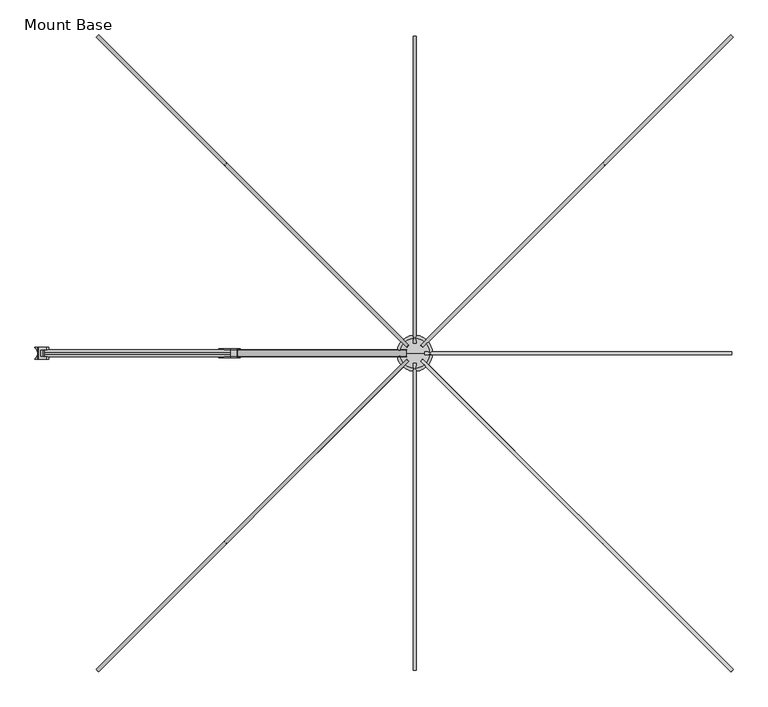
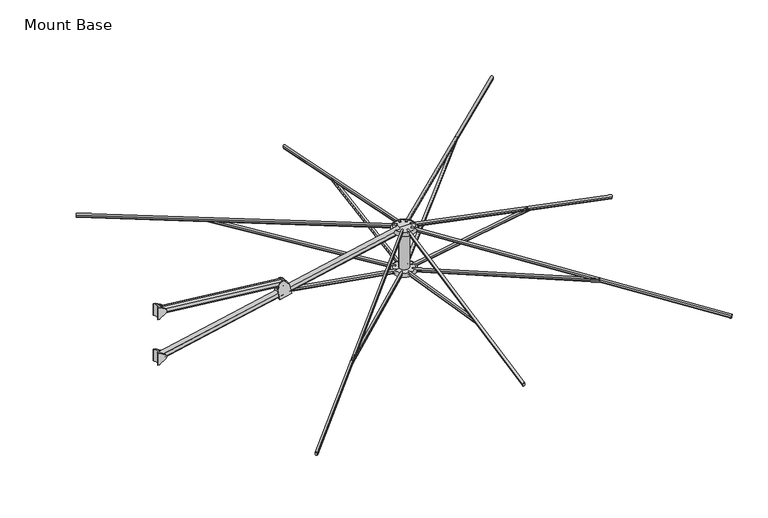
"""IFC4 building model written with IfcOpenShell, lengths in millimetres: furniture geometry, Mount Base."""

from ifc_helpers import new_model, si_unit, point, frame, frame_2d, origin, place, context, project, spatial, polyline, circle_curve, ellipse_curve, trimmed, segment, composite_curve, outline, extrude, source, transform, mapped, element, save
from ifc_brep_helpers import plane_surface, cylinder_surface, revolved_surface, advanced_brep


def mount_base_e37ba192(model_context):
    return source(origin(), model_context, "Body", "SolidModel", [
        advanced_brep(
        [(-869.5954082, -28.8584398, 2526.2924766), (-770.0187352, -28.8584398, 2546.4740546), (-787.3557443, -28.8584398, 2633.9421224), (-825.1542155, -28.8584398, 2673.9841753), (-867.3492904, -28.8584398, 2665.6207977), (-887.016874, -28.8584398, 2614.1885454), (-789.529389, -23.0799408, 2636.2447868), (-886.064261, -23.0799408, 2616.679702), (-867.3492904, -23.0799408, 2665.6207977), (-825.1542155, -23.0799408, 2673.9841753), (-789.529389, 15.0200592, 2636.2447868), (-886.064261, 15.0200592, 2616.679702), (-825.1542155, 15.0200592, 2673.9841753), (-867.3492904, 15.0200592, 2665.6207977), (-770.0187352, 20.7985583, 2546.4740546), (-869.5954082, 20.7985583, 2526.2924766), (-887.016874, 20.7985583, 2614.1885454), (-867.3492904, 20.7985583, 2665.6207977), (-825.1542155, 20.7985583, 2673.9841753), (-787.3557443, 20.7985583, 2633.9421224), (-879.4307665, -24.0959398, 2575.9145543), (-779.8542982, -24.0959398, 2596.0960908), (-773.8821011, -24.0959398, 2565.9653723), (-873.4586937, -24.0959398, 2545.7838107), (-773.3557206, -23.4898879, 2563.3096957), (-872.9323241, -23.4898879, 2543.1281318), (-773.3557206, 15.4300064, 2563.3096957), (-872.9323241, 15.4300064, 2543.1281318), (-773.8821011, 16.0360583, 2565.9653723), (-873.4586937, 16.0360583, 2545.7838107), (-779.8542982, 16.0360583, 2596.0960908), (-879.4307665, 16.0360583, 2575.9145543), (-780.2734011, 15.6590031, 2598.2105335), (-879.8498606, 15.6590031, 2578.0289988), (-780.2734011, -23.7188847, 2598.2105335), (-879.8498606, -23.7188847, 2578.0289988)],
        [
            (0, 1),
            (1, 2),
            (2, 3),
            (3, 4, circle_curve(frame((-843.6247293, -28.8584398, 2656.5485761), z_axis=(0.0, -1.0, 0.0), x_axis=(1.0, 0.0, 0.0)), 25.4)),
            (4, 5),
            (5, 0),
            (6, 7),
            (7, 8),
            (8, 9, circle_curve(frame((-843.6247293, -23.0799408, 2656.5485761), z_axis=(0.0, 1.0, 0.0), x_axis=(1.0, 0.0, 0.0)), 25.4)),
            (9, 6),
            (6, 10),
            (10, 11),
            (11, 7),
            (10, 12),
            (12, 13, circle_curve(frame((-843.6247293, 15.0200592, 2656.5485761), z_axis=(0.0, -1.0, 0.0), x_axis=(1.0, 0.0, 0.0)), 25.4)),
            (13, 11),
            (14, 15),
            (15, 16),
            (16, 17),
            (17, 18, circle_curve(frame((-843.6247293, 20.7985583, 2656.5485761), z_axis=(0.0, 1.0, 0.0), x_axis=(1.0, 0.0, 0.0)), 25.4)),
            (18, 19),
            (19, 14),
            (0, 15),
            (14, 1),
            (20, 21),
            (21, 22),
            (22, 23),
            (23, 20),
            (22, 24, ellipse_curve(frame((-773.8821011, -17.7459398, 2565.9653723), z_axis=(0.9809169623175261, 0.0, 0.1944271406922321), x_axis=(-0.1944271406922253, 2.253250293405362e-12, 0.9809169623175276)), 6.3500585, 6.35)),
            (24, 25),
            (25, 23, ellipse_curve(frame((-873.4586937, -17.7459398, 2545.7838107), z_axis=(-0.9809177651054216, 0.0, -0.19442309045117281), x_axis=(-0.19442309045116504, 2.251037628428925e-12, 0.9809177651054232)), 6.3500586, 6.35)),
            (24, 26, ellipse_curve(frame((-775.1390476, -4.0299408, 2572.3068744), z_axis=(0.9809169623175261, 0.0, 0.1944271406922321), x_axis=(-0.1944271406922253, 2.253250293405362e-12, 0.9809169623175276)), 21.5133911, 21.513193)),
            (26, 27),
            (27, 25, ellipse_curve(frame((-874.715614, -4.0299408, 2552.125318), z_axis=(-0.9809177651054216, 0.0, -0.19442309045117281), x_axis=(-0.19442309045116504, 2.251037628428925e-12, 0.9809177651054232)), 21.5133915, 21.513193)),
            (26, 28, ellipse_curve(frame((-773.8821011, 9.6860583, 2565.9653723), z_axis=(0.9809169623175261, 0.0, 0.1944271406922321), x_axis=(-0.1944271406922253, 2.253250293405362e-12, 0.9809169623175276)), 6.3500585, 6.35)),
            (28, 29),
            (29, 27, ellipse_curve(frame((-873.4586937, 9.6860583, 2545.7838107), z_axis=(-0.9809177651054216, 0.0, -0.19442309045117281), x_axis=(-0.19442309045116504, 2.251037628428925e-12, 0.9809177651054232)), 6.3500586, 6.35)),
            (28, 30),
            (30, 31),
            (31, 29),
            (30, 32, ellipse_curve(frame((-779.8542982, 9.6860583, 2596.0960908), z_axis=(0.9809169623175261, 0.0, 0.1944271406922321), x_axis=(-0.1944271406922253, 2.253250293405362e-12, 0.9809169623175276)), 6.3500585, 6.35)),
            (32, 33),
            (33, 31, ellipse_curve(frame((-879.4307665, 9.6860583, 2575.9145543), z_axis=(-0.9809177651054216, 0.0, -0.19442309045117281), x_axis=(-0.19442309045116504, 2.251037628428925e-12, 0.9809177651054232)), 6.3500586, 6.35)),
            (32, 34, ellipse_curve(frame((-778.8918896, -4.0299408, 2591.2405804), z_axis=(0.9809169623175261, 0.0, 0.1944271406922321), x_axis=(-0.1944271406922253, 2.253250293405362e-12, 0.9809169623175276)), 20.9320441, 20.9318514)),
            (34, 35),
            (35, 33, ellipse_curve(frame((-878.4683779, -4.0299408, 2571.0590399), z_axis=(-0.9809177651054216, 0.0, -0.19442309045117281), x_axis=(-0.19442309045116504, 2.251037628428925e-12, 0.9809177651054232)), 20.9320445, 20.9318514)),
            (20, 35, ellipse_curve(frame((-879.4307665, -17.7459398, 2575.9145543), z_axis=(-0.9809177651054216, 0.0, -0.19442309045117281), x_axis=(-0.19442309045116504, 2.251037628428925e-12, 0.9809177651054232)), 6.3500586, 6.35)),
            (34, 21, ellipse_curve(frame((-779.8542982, -17.7459398, 2596.0960908), z_axis=(0.9809169623175261, 0.0, 0.1944271406922321), x_axis=(-0.1944271406922253, 2.253250293405362e-12, 0.9809169623175276)), 6.3500585, 6.35)),
            (16, 5),
            (4, 8),
            (13, 17),
            (3, 9),
            (12, 18),
            (2, 19),
        ],
        [
            plane_surface(frame((-887.6680594, -28.8584398, 2522.6296246), z_axis=(0.0, -1.0000000000000002, 0.0), x_axis=(0.9800735011186607, 0.0, 0.19863517413844614))),
            plane_surface(frame((-917.6017277, -23.0799408, 2670.323482), z_axis=(0.0, 1.0000000000000002, 0.0), x_axis=(0.9800735011186607, 0.0, 0.19863517413844614))),
            plane_surface(frame((-905.9141736, -23.0799408, 2612.6566458), z_axis=(-0.19863517413844614, 0.0, 0.9800735011186607), x_axis=(0.9800735011186607, 0.0, 0.19863517413844614))),
            plane_surface(frame((-905.9141736, 15.0200592, 2612.6566458), z_axis=(0.0, -1.0000000000000002, 0.0), x_axis=(0.9800735011186607, 0.0, 0.19863517413844614))),
            plane_surface(frame((-919.8784076, 20.7985583, 2681.5567074), z_axis=(0.0, 1.0000000000000002, 0.0), x_axis=(0.9800735011186607, 0.0, 0.19863517413844614))),
            plane_surface(frame((-887.6680594, 20.7985583, 2522.6296246), z_axis=(0.19863517413844614, 0.0, -0.9800735011186607), x_axis=(0.9800735011186607, 0.0, 0.19863517413844614))),
            plane_surface(frame((-897.7164033, -24.0959398, 2572.2085356), z_axis=(0.0, 1.0000000000000002, 0.0), x_axis=(0.9800735011186607, 0.0, 0.19863517413844614))),
            revolved_surface(polyline([(-772.5940581096462, -17.7459398, 2559.747318949005), (-872.2240956763327, -17.7459398, 2539.5549253796553)]), (-627.0866256, -17.7459398, 2595.7169622), (0.9800735011186607, 0.0, 0.19863517413844567)),
            revolved_surface(polyline([(-770.7752810372693, -4.0299408, 2551.240703853608), (-870.5329139324556, -4.0299408, 2531.022450060237)]), (-628.3707646, -4.0299408, 2602.052953), (0.9800735011186607, 0.0, 0.19863517413844567)),
            revolved_surface(polyline([(-772.5940581096462, 9.6860583, 2559.747318949005), (-872.2240956763327, 9.6860583, 2539.5549253796553)]), (-627.0866256, 9.6860583, 2595.7169622), (0.9800735011186607, 0.0, 0.19863517413844567)),
            plane_surface(frame((-891.6150047, 16.0360583, 2542.104003), z_axis=(0.0, -1.0000000000000002, 0.0), x_axis=(0.9800735011186607, 0.0, 0.19863517413844614))),
            revolved_surface(polyline([(-778.5662552004625, 9.6860583, 2589.878037403692), (-878.1961684851267, 9.6860583, 2569.685669023046)]), (-633.1880242, 9.6860583, 2625.8214949), (0.9800735011186607, 0.0, 0.19863517413844567)),
            revolved_surface(polyline([(-774.6460432025945, -4.0299408, 2570.7436718154127), (-874.3987051030842, -4.0299408, 2550.52642551219)]), (-632.204795, -4.0299408, 2620.9702043), (0.9800735011186607, 0.0, 0.19863517413844567)),
            revolved_surface(polyline([(-778.5662552004625, -17.7459398, 2589.878037403692), (-878.1961684851267, -17.7459398, 2569.685669023046)]), (-633.1880242, -17.7459398, 2625.8214949), (0.9800735011186607, 0.0, 0.19863517413844567)),
            plane_surface(frame((-887.016874, -42.1299408, 2614.1885454), z_axis=(-0.934037835454624, 0.0, 0.35717407792173367), x_axis=(0.0, 1.0, 0.0))),
            cylinder_surface(frame((-843.6247293, 34.0700592, 2656.5485761), z_axis=(0.0, 1.0, 0.0), x_axis=(1.0, 0.0, 0.0)), 25.4),
            plane_surface(frame((-825.1542155, -42.1299408, 2673.9841753), z_axis=(0.7271855840513565, 0.0, 0.6864409124956697), x_axis=(0.0, 1.0, 0.0))),
            plane_surface(frame((-787.3557443, -42.1299408, 2633.9421224), z_axis=(0.9809169623175261, 0.0, 0.1944271406922321), x_axis=(0.0, 1.0, 0.0))),
            plane_surface(frame((-869.1321633, -42.1299408, 2523.955279), z_axis=(-0.9809177651054216, 0.0, -0.19442309045117281), x_axis=(0.0, 1.0, 0.0))),
        ],
        [
            (0, [[1, 2, 3, 4, 5, 6]]),
            (1, [[7, 8, 9, 10]]),
            (2, [[-7, 11, 12, 13]]),
            (3, [[-12, 14, 15, 16]]),
            (4, [[17, 18, 19, 20, 21, 22]]),
            (5, [[-1, 23, -17, 24]]),
            (6, [[25, 26, 27, 28]]),
            (7, [[-27, 29, 30, 31]]),
            (8, [[-30, 32, 33, 34]]),
            (9, [[-33, 35, 36, 37]]),
            (10, [[-36, 38, 39, 40]]),
            (11, [[-39, 41, 42, 43]]),
            (12, [[-42, 44, 45, 46]]),
            (13, [[-25, 47, -45, 48]]),
            (14, [[49, -5, 50, -8, -13, -16, 51, -19]]),
            (15, [[-50, -4, 52, -9]]),
            (15, [[-51, -15, 53, -20]]),
            (16, [[-52, -3, 54, -21, -53, -14, -11, -10]]),
            (17, [[-54, -2, -24, -22], [-26, -48, -44, -41, -38, -35, -32, -29]]),
            (18, [[-49, -18, -23, -6], [-28, -31, -34, -37, -40, -43, -46, -47]]),
        ],
    ),
        advanced_brep(
        [(-1869.6996838, -23.0799408, 2721.3192862), (-1869.6996838, -23.0799408, 2807.4987642), (-1836.2490529, -23.0799408, 2786.4843884), (-1836.2490529, -23.0799408, 2742.333662), (-1869.6996838, 15.0200592, 2721.3192862), (-1869.6996838, 15.0200592, 2807.4987642), (-1836.2490529, 15.0200592, 2742.333662), (-1836.2490529, 15.0200592, 2786.4843884), (-1883.6875668, 28.7360598, 2815.2089767), (-1880.5207508, 28.7360598, 2814.2967816), (-1836.2490529, 28.7360598, 2786.4843884), (-1836.2490529, 28.7360598, 2742.333662), (-1880.5207508, 28.7360598, 2714.5212688), (-1883.6875668, 28.7360598, 2713.6090736), (-1900.0205074, 28.7360598, 2713.6090736), (-1900.0205074, 28.7360598, 2815.2089767), (-1900.0205074, 28.0676775, 2713.6090736), (-1900.0205074, -36.1275028, 2713.6090736), (-1900.0205074, -36.1275028, 2815.2089767), (-1900.0205074, 28.0676775, 2815.2089767), (-1880.5207508, -36.7959413, 2814.2967816), (-1883.6875668, -36.7959413, 2815.2089767), (-1900.0205074, -36.7959413, 2815.2089767), (-1900.0205074, -36.7959413, 2713.6090736), (-1883.6875668, -36.7959413, 2713.6090736), (-1880.5207508, -36.7959413, 2714.5212688), (-1836.2490529, -36.7959413, 2742.333662), (-1836.2490529, -36.7959413, 2786.4843884)],
        [
            (0, 1),
            (1, 2),
            (2, 3, circle_curve(frame((-1850.1172511, -23.0799408, 2764.4090252), z_axis=(0.0, 1.0, 0.0), x_axis=(1.0, 0.0, 0.0)), 26.0700706)),
            (3, 0),
            (0, 4),
            (4, 5),
            (5, 1),
            (4, 6),
            (6, 7, circle_curve(frame((-1850.1172511, 15.0200592, 2764.4090252), z_axis=(0.0, -1.0, 0.0), x_axis=(1.0, 0.0, 0.0)), 26.0700706)),
            (7, 5),
            (8, 9, circle_curve(frame((-1883.6875668, 28.7360598, 2809.2558517), z_axis=(0.0, 1.0, 0.0), x_axis=(1.0, 0.0, 0.0)), 5.953125)),
            (9, 10),
            (10, 11, circle_curve(frame((-1850.1172511, 28.7360598, 2764.4090252), z_axis=(0.0, 1.0, 0.0), x_axis=(1.0, 0.0, 0.0)), 26.0700706)),
            (11, 12),
            (12, 13, circle_curve(frame((-1883.6875668, 28.7360598, 2719.5621986), z_axis=(0.0, 1.0, 0.0), x_axis=(1.0, 0.0, 0.0)), 5.953125)),
            (13, 14),
            (14, 15),
            (15, 8),
            (16, 17, circle_curve(frame((-1927.8319585, -4.0299127, 2713.6090736), z_axis=(0.0, 0.0, -1.0), x_axis=(1.0, 0.0, 0.0)), 42.4703674)),
            (17, 18),
            (18, 19, circle_curve(frame((-1927.8319585, -4.0299127, 2815.2089767), z_axis=(0.0, 0.0, 1.0), x_axis=(1.0, 0.0, 0.0)), 42.4703674)),
            (19, 16),
            (20, 21, circle_curve(frame((-1883.6875668, -36.7959413, 2809.2558517), z_axis=(0.0, -1.0, 0.0), x_axis=(1.0, 0.0, 0.0)), 5.953125)),
            (21, 22),
            (22, 23),
            (23, 24),
            (24, 25, circle_curve(frame((-1883.6875668, -36.7959413, 2719.5621986), z_axis=(0.0, -1.0, 0.0), x_axis=(1.0, 0.0, 0.0)), 5.953125)),
            (25, 26),
            (26, 27, circle_curve(frame((-1850.1172511, -36.7959413, 2764.4090252), z_axis=(0.0, -1.0, 0.0), x_axis=(1.0, 0.0, 0.0)), 26.0700706)),
            (27, 20),
            (8, 21),
            (20, 9),
            (27, 2),
            (7, 10),
            (26, 3),
            (6, 11),
            (25, 12),
            (24, 13),
            (23, 17),
            (16, 14),
            (22, 18),
            (19, 15),
        ],
        [
            plane_surface(frame((-1823.4243107, -23.0799408, 2824.2708572), z_axis=(0.0, 1.0, 0.0), x_axis=(0.0, 0.0, -1.0))),
            plane_surface(frame((-1869.6996838, -23.0799408, 2824.2708572), z_axis=(1.0, 0.0, 0.0), x_axis=(0.0, 0.0, -1.0))),
            plane_surface(frame((-1869.6996838, 15.0200592, 2824.2708572), z_axis=(0.0, -1.0, 0.0), x_axis=(0.0, 0.0, -1.0))),
            plane_surface(frame((-1823.4243107, 28.7360598, 2824.2708572), z_axis=(0.0, 1.0, 0.0), x_axis=(0.0, 0.0, -1.0))),
            revolved_surface(polyline([(-1885.3615911, -4.0299127, 2713.6090736), (-1885.3615911, -4.0299127, 2815.2089767)]), (-1927.8319585, -4.0299127, 2308.0281998), (0.0, 0.0, -1.0)),
            plane_surface(frame((-1900.8112355, -36.7959413, 2824.2708572), z_axis=(0.0, -1.0, 0.0), x_axis=(0.0, 0.0, -1.0))),
            cylinder_surface(frame((-1883.6875668, 72.1700592, 2809.2558517), z_axis=(0.0, 1.0, 0.0), x_axis=(1.0, 0.0, 0.0)), 5.953125),
            plane_surface(frame((-1880.5207508, -80.2299408, 2814.2967816), z_axis=(0.5319585969039572, 0.0, 0.8467703650813325), x_axis=(0.0, 1.0, 0.0))),
            cylinder_surface(frame((-1850.1172511, 72.1700592, 2764.4090252), z_axis=(0.0, 1.0, 0.0), x_axis=(1.0, 0.0, 0.0)), 26.0700706),
            plane_surface(frame((-1836.2490529, -80.2299408, 2742.333662), z_axis=(0.5319585969039639, 0.0, -0.8467703650813284), x_axis=(0.0, 1.0, 0.0))),
            cylinder_surface(frame((-1883.6875668, 72.1700592, 2719.5621986), z_axis=(0.0, 1.0, 0.0), x_axis=(1.0, 0.0, 0.0)), 5.953125),
            plane_surface(frame((-1883.6875668, -80.2299408, 2713.6090736), z_axis=(0.0, 0.0, -1.0), x_axis=(0.0, 1.0, 0.0))),
            plane_surface(frame((-1900.0205074, -80.2299408, 2713.6090736), z_axis=(-1.0, 0.0, 0.0), x_axis=(0.0, 1.0, 0.0))),
            plane_surface(frame((-1900.0205074, -80.2299408, 2815.2089767), z_axis=(0.0, 0.0, 1.0), x_axis=(0.0, 1.0, 0.0))),
        ],
        [
            (0, [[1, 2, 3, 4]]),
            (1, [[-1, 5, 6, 7]]),
            (2, [[-6, 8, 9, 10]]),
            (3, [[11, 12, 13, 14, 15, 16, 17, 18]]),
            (4, [[19, 20, 21, 22]]),
            (5, [[23, 24, 25, 26, 27, 28, 29, 30]]),
            (6, [[31, -23, 32, -11]]),
            (7, [[-32, -30, 33, -2, -7, -10, 34, -12]]),
            (8, [[-33, -29, 35, -3]]),
            (8, [[-34, -9, 36, -13]]),
            (9, [[-36, -8, -5, -4, -35, -28, 37, -14]]),
            (10, [[-37, -27, 38, -15]]),
            (11, [[-38, -26, 39, -19, 40, -16]]),
            (12, [[-39, -25, 41, -20]]),
            (12, [[-40, -22, 42, -17]]),
            (13, [[-31, -18, -42, -21, -41, -24]]),
        ],
    ),
        advanced_brep(
        [(-1869.6996838, -23.0799408, 2316.2331594), (-1869.6996838, -23.0799408, 2402.4126375), (-1836.0051493, -23.0799408, 2381.2450365), (-1836.0051493, -23.0799408, 2337.4007605), (-1869.6996838, 15.0200592, 2316.2331594), (-1869.6996838, 15.0200592, 2402.4126375), (-1836.0051493, 15.0200592, 2337.4007605), (-1836.0051493, 15.0200592, 2381.2450365), (-1883.6875668, 28.7360598, 2410.12285), (-1880.5207508, 28.7360598, 2409.2106549), (-1836.0051493, 28.7360598, 2381.2450365), (-1836.0051493, 28.7360598, 2337.4007605), (-1880.5207508, 28.7360598, 2309.4351421), (-1883.6875668, 28.7360598, 2308.5229469), (-1899.6243107, 28.7360598, 2308.5229469), (-1899.6243107, 28.7360598, 2410.12285), (-1899.6243107, 27.7200591, 2308.5229469), (-1899.6243107, -35.7798845, 2308.5229469), (-1899.6243107, -35.7798845, 2410.12285), (-1899.6243107, 27.7200591, 2410.12285), (-1880.5207508, -36.7959413, 2409.2106549), (-1883.6875668, -36.7959413, 2410.12285), (-1899.6243107, -36.7959413, 2410.12285), (-1899.6243107, -36.7959413, 2308.5229469), (-1883.6875668, -36.7959413, 2308.5229469), (-1880.5207508, -36.7959413, 2309.4351421), (-1836.0051493, -36.7959413, 2337.4007605), (-1836.0051493, -36.7959413, 2381.2450365)],
        [
            (0, 1),
            (1, 2),
            (2, 3, circle_curve(frame((-1849.7770882, -23.0799408, 2359.3228985), z_axis=(0.0, 1.0, 0.0), x_axis=(1.0, 0.0, 0.0)), 25.8891181)),
            (3, 0),
            (0, 4),
            (4, 5),
            (5, 1),
            (4, 6),
            (6, 7, circle_curve(frame((-1849.7770882, 15.0200592, 2359.3228985), z_axis=(0.0, -1.0, 0.0), x_axis=(1.0, 0.0, 0.0)), 25.8891181)),
            (7, 5),
            (8, 9, circle_curve(frame((-1883.6875668, 28.7360598, 2404.169725), z_axis=(0.0, 1.0, 0.0), x_axis=(1.0, 0.0, 0.0)), 5.953125)),
            (9, 10),
            (10, 11, circle_curve(frame((-1849.7770882, 28.7360598, 2359.3228985), z_axis=(0.0, 1.0, 0.0), x_axis=(1.0, 0.0, 0.0)), 25.8891181)),
            (11, 12),
            (12, 13, circle_curve(frame((-1883.6875668, 28.7360598, 2314.4760719), z_axis=(0.0, 1.0, 0.0), x_axis=(1.0, 0.0, 0.0)), 5.953125)),
            (13, 14),
            (14, 15),
            (15, 8),
            (16, 17, circle_curve(frame((-1927.8319585, -4.0299127, 2308.5229469), z_axis=(0.0, 0.0, -1.0), x_axis=(1.0, 0.0, 0.0)), 42.4703674)),
            (17, 18),
            (18, 19, circle_curve(frame((-1927.8319585, -4.0299127, 2410.12285), z_axis=(0.0, 0.0, 1.0), x_axis=(1.0, 0.0, 0.0)), 42.4703674)),
            (19, 16),
            (20, 21, circle_curve(frame((-1883.6875668, -36.7959413, 2404.169725), z_axis=(0.0, -1.0, 0.0), x_axis=(1.0, 0.0, 0.0)), 5.953125)),
            (21, 22),
            (22, 23),
            (23, 24),
            (24, 25, circle_curve(frame((-1883.6875668, -36.7959413, 2314.4760719), z_axis=(0.0, -1.0, 0.0), x_axis=(1.0, 0.0, 0.0)), 5.953125)),
            (25, 26),
            (26, 27, circle_curve(frame((-1849.7770882, -36.7959413, 2359.3228985), z_axis=(0.0, -1.0, 0.0), x_axis=(1.0, 0.0, 0.0)), 25.8891181)),
            (27, 20),
            (8, 21),
            (20, 9),
            (27, 2),
            (7, 10),
            (26, 3),
            (6, 11),
            (25, 12),
            (24, 13),
            (23, 17),
            (16, 14),
            (22, 18),
            (19, 15),
        ],
        [
            plane_surface(frame((-1823.4243107, -23.0799408, 2824.2708572), z_axis=(0.0, 1.0, 0.0), x_axis=(0.0, 0.0, -1.0))),
            plane_surface(frame((-1869.6996838, -23.0799408, 2824.2708572), z_axis=(1.0, 0.0, 0.0), x_axis=(0.0, 0.0, -1.0))),
            plane_surface(frame((-1869.6996838, 15.0200592, 2824.2708572), z_axis=(0.0, -1.0, 0.0), x_axis=(0.0, 0.0, -1.0))),
            plane_surface(frame((-1823.4243107, 28.7360598, 2824.2708572), z_axis=(0.0, 1.0, 0.0), x_axis=(0.0, 0.0, -1.0))),
            revolved_surface(polyline([(-1885.3615911, -4.0299127, 2308.5229469), (-1885.3615911, -4.0299127, 2410.12285)]), (-1927.8319585, -4.0299127, 2308.0281998), (0.0, 0.0, -1.0)),
            plane_surface(frame((-1900.8112355, -36.7959413, 2824.2708572), z_axis=(0.0, -1.0, 0.0), x_axis=(0.0, 0.0, -1.0))),
            cylinder_surface(frame((-1883.6875668, -4.0299408, 2404.169725), z_axis=(0.0, 1.0, 0.0), x_axis=(1.0, 0.0, 0.0)), 5.953125),
            plane_surface(frame((-1880.5207508, -80.2299408, 2409.2106549), z_axis=(0.5319585969039494, 0.0, 0.8467703650813374), x_axis=(0.0, 1.0, 0.0))),
            cylinder_surface(frame((-1849.7770882, -4.0299408, 2359.3228985), z_axis=(0.0, 1.0, 0.0), x_axis=(1.0, 0.0, 0.0)), 25.8891181),
            plane_surface(frame((-1836.0051493, -80.2299408, 2337.4007605), z_axis=(0.5319585969039472, 0.0, -0.8467703650813388), x_axis=(0.0, 1.0, 0.0))),
            cylinder_surface(frame((-1883.6875668, -4.0299408, 2314.4760719), z_axis=(0.0, 1.0, 0.0), x_axis=(1.0, 0.0, 0.0)), 5.953125),
            plane_surface(frame((-1883.6875668, -80.2299408, 2308.5229469), z_axis=(0.0, 0.0, -1.0), x_axis=(0.0, 1.0, 0.0))),
            plane_surface(frame((-1899.6243107, -80.2299408, 2308.5229469), z_axis=(-1.0, 0.0, 0.0), x_axis=(0.0, 1.0, 0.0))),
            plane_surface(frame((-1899.6243107, -80.2299408, 2410.12285), z_axis=(0.0, 0.0, 1.0), x_axis=(0.0, 1.0, 0.0))),
        ],
        [
            (0, [[1, 2, 3, 4]]),
            (1, [[-1, 5, 6, 7]]),
            (2, [[-6, 8, 9, 10]]),
            (3, [[11, 12, 13, 14, 15, 16, 17, 18]]),
            (4, [[19, 20, 21, 22]]),
            (5, [[23, 24, 25, 26, 27, 28, 29, 30]]),
            (6, [[31, -23, 32, -11]]),
            (7, [[-32, -30, 33, -2, -7, -10, 34, -12]]),
            (8, [[-33, -29, 35, -3]]),
            (8, [[-34, -9, 36, -13]]),
            (9, [[-36, -8, -5, -4, -35, -28, 37, -14]]),
            (10, [[-37, -27, 38, -15]]),
            (11, [[-38, -26, 39, -19, 40, -16]]),
            (12, [[-39, -25, 41, -20]]),
            (12, [[-40, -22, 42, -17]]),
            (13, [[-31, -18, -42, -21, -41, -24]]),
        ],
    ),
        extrude(outline(composite_curve([segment(trimmed(circle_curve(frame_2d((6.35, 12.6998841)), 12.7), [point((19.05, 12.6998841))], [point((6.35, -0.000116))], False, "CARTESIAN"), True, "CONTINUOUS"), segment(polyline([(6.35, -0.000116), (-6.35, -0.000116)]), True, "CONTINUOUS"), segment(trimmed(circle_curve(frame_2d((-6.35, 12.6998841)), 12.7), [point((-6.35, -0.000116))], [point((-19.05, 12.6998841))], False, "CARTESIAN"), True, "CONTINUOUS"), segment(polyline([(-19.05, 12.6998841), (-19.05, 45.719986)]), True, "CONTINUOUS"), segment(trimmed(circle_curve(frame_2d((-6.35, 45.719986)), 12.7), [point((-19.05, 45.719986))], [point((-6.35, 58.4199859))], False, "CARTESIAN"), True, "CONTINUOUS"), segment(polyline([(-6.35, 58.4199859), (6.35, 58.4199859)]), True, "CONTINUOUS"), segment(trimmed(circle_curve(frame_2d((6.35, 45.719986)), 12.7), [point((6.35, 58.4199859))], [point((19.05, 45.719986))], False, "CARTESIAN"), True, "CONTINUOUS"), segment(polyline([(19.05, 45.719986), (19.05, 12.6998841)]), True, "CONTINUOUS")], self_intersect=False)), frame((-831.5994581, -4.0299408, 2626.2123734), z_axis=(-0.9942559178142157, 0.0, 0.10702882738501635), x_axis=(0.0, -1.0, 0.0)), (0.0, 0.0, 1.0), 1029.3843356),
        advanced_brep(
        [(108.4580228, -4.0299408, 2400.2999516), (272.5419772, -4.0299408, 2400.2999516), (190.5, -4.0299408, 2400.2999516), (190.5, -4.0299408, 2432.0499516), (272.5419772, -4.0299408, 2432.0499516), (108.4580228, -4.0299408, 2432.0499516)],
        [
            (0, 1, circle_curve(frame((190.5, -4.0299408, 2400.2999516), z_axis=(0.0, 0.0, -1.0), x_axis=(1.0, 0.0, 0.0)), 82.0419772)),
            (1, 2),
            (2, 0),
            (1, 0, circle_curve(frame((190.5, -4.0299408, 2400.2999516), z_axis=(0.0, 0.0, -1.0), x_axis=(1.0, 0.0, 0.0)), 82.0419772)),
            (3, 4),
            (4, 5, circle_curve(frame((190.5, -4.0299408, 2432.0499516), z_axis=(0.0, 0.0, 1.0), x_axis=(1.0, 0.0, 0.0)), 82.0419772)),
            (5, 3),
            (5, 4, circle_curve(frame((190.5, -4.0299408, 2432.0499516), z_axis=(0.0, 0.0, 1.0), x_axis=(1.0, 0.0, 0.0)), 82.0419772)),
            (4, 1, circle_curve(frame((272.5419772, -4.0299408, 2416.1749516), z_axis=(0.0, 1.0, 0.0), x_axis=(1.0, 0.0, 0.0)), 15.875)),
            (0, 5, circle_curve(frame((108.4580228, -4.0299408, 2416.1749516), z_axis=(0.0, 1.0, 0.0), x_axis=(-1.0, 0.0, 0.0)), 15.875)),
        ],
        [
            plane_surface(frame((190.5, -4.0299408, 2400.2999516), z_axis=(0.0, 0.0, -1.0), x_axis=(1.0, 0.0, 0.0))),
            plane_surface(frame((190.5, -4.0299408, 2432.0499516), z_axis=(0.0, 0.0, 1.0), x_axis=(1.0, 0.0, 0.0))),
            revolved_surface(trimmed(ellipse_curve(frame((272.5419772, -4.0299408, 2416.1749516), z_axis=(0.0, -1.0, 0.0), x_axis=(1.0, 0.0, 0.0)), 15.875, 15.875), [point((272.5419772, -4.0299408, 2400.2999516))], [point((272.5419772, -4.0299408, 2432.0499516))], True, "CARTESIAN"), (190.5, -4.0299408, 2605.8874532), (0.0, 0.0, 1.0)),
        ],
        [
            (0, [[1, 2, 3]]),
            (0, [[4, -3, -2]]),
            (1, [[5, 6, 7]]),
            (1, [[-7, 8, -5]]),
            (2, [[-6, 9, -1, 10]]),
            (2, [[-8, -10, -4, -9]]),
        ],
    ),
        extrude(outline(composite_curve([segment(polyline([(12.9834408, -8.4804821), (12.9834408, -22.8946348)]), True, "CONTINUOUS"), segment(trimmed(circle_curve(frame_2d((4.0299408, -22.8946348)), 8.9535), [point((12.9834408, -22.8946348))], [point((-4.9235592, -22.8946348))], False, "CARTESIAN"), True, "CONTINUOUS"), segment(polyline([(-4.9235592, -22.8946348), (-4.9235592, -8.4804821)]), True, "CONTINUOUS"), segment(trimmed(circle_curve(frame_2d((4.0299408, -8.4804821)), 8.9535), [point((-4.9235592, -8.4804821))], [point((12.9834408, -8.4804821))], False, "CARTESIAN"), True, "CONTINUOUS")], self_intersect=False)), frame((194.5299408, -74.166692, 2401.8470755), z_axis=(0.0, -0.9861767437542511, 0.16569680165368939), x_axis=(-1.0, 0.0, 0.0)), (0.0, 0.0, 1.0), 988.7757118),
        extrude(outline(composite_curve([segment(polyline([(12.9834408, -8.4804821), (12.9834408, -22.8946348)]), True, "CONTINUOUS"), segment(trimmed(circle_curve(frame_2d((4.0299408, -22.8946348)), 8.9535), [point((12.9834408, -22.8946348))], [point((-4.9235592, -22.8946348))], False, "CARTESIAN"), True, "CONTINUOUS"), segment(polyline([(-4.9235592, -22.8946348), (-4.9235592, -8.4804821)]), True, "CONTINUOUS"), segment(trimmed(circle_curve(frame_2d((4.0299408, -8.4804821)), 8.9535), [point((-4.9235592, -8.4804821))], [point((12.9834408, -8.4804821))], False, "CARTESIAN"), True, "CONTINUOUS")], self_intersect=False)), frame((120.3632487, -8.0598816, 2401.8470755), z_axis=(-0.9861767437542511, 0.0, 0.16569680165368939), x_axis=(0.0, 1.0, 0.0)), (0.0, 0.0, 1.0), 988.7757118),
        extrude(outline(composite_curve([segment(polyline([(12.9834408, -8.4804821), (12.9834408, -22.8946348)]), True, "CONTINUOUS"), segment(trimmed(circle_curve(frame_2d((4.0299408, -22.8946348)), 8.9535), [point((12.9834408, -22.8946348))], [point((-4.9235592, -22.8946348))], False, "CARTESIAN"), True, "CONTINUOUS"), segment(polyline([(-4.9235592, -22.8946348), (-4.9235592, -8.4804821)]), True, "CONTINUOUS"), segment(trimmed(circle_curve(frame_2d((4.0299408, -8.4804821)), 8.9535), [point((-4.9235592, -8.4804821))], [point((12.9834408, -8.4804821))], False, "CARTESIAN"), True, "CONTINUOUS")], self_intersect=False)), frame((186.4700592, 66.1068105, 2401.8470755), z_axis=(0.0, 0.9861767437542511, 0.16569680165368939), x_axis=(1.0, 0.0, 0.0)), (0.0, 0.0, 1.0), 988.7757118),
        extrude(outline(composite_curve([segment(trimmed(circle_curve(frame_2d((4.0299408, 7.3267917)), 8.9535), [point((12.9834408, 7.3267917))], [point((-4.9235592, 7.3267917))], False, "CARTESIAN"), True, "CONTINUOUS"), segment(polyline([(-4.9235592, 7.3267917), (-4.9235592, 21.7411303)]), True, "CONTINUOUS"), segment(trimmed(circle_curve(frame_2d((4.0299408, 21.7411303)), 8.9535), [point((-4.9235592, 21.7411303))], [point((12.9834408, 21.7411303))], False, "CARTESIAN"), True, "CONTINUOUS"), segment(polyline([(12.9834408, 21.7411303), (12.9834408, 7.3267917)]), True, "CONTINUOUS")], self_intersect=False)), frame((194.5299408, -1742.7095287, 2428.4090401), z_axis=(0.0, 0.9801650338144994, 0.19818301261062068), x_axis=(-1.0, 0.0, 0.0)), (0.0, 0.0, 1.0), 1722.8259277),
        extrude(outline(composite_curve([segment(polyline([(-16.0360582, 6.8616994), (-16.0360582, 37.5785601)]), True, "CONTINUOUS"), segment(trimmed(circle_curve(frame_2d((-9.6860582, 37.5785601)), 6.35), [point((-16.0360582, 37.5785601))], [point((-15.6590238, 39.7340606))], False, "CARTESIAN"), True, "CONTINUOUS"), segment(trimmed(circle_curve(frame_2d((4.0299408, 32.6287841)), 20.9318007), [point((-15.6590238, 39.7340606))], [point((23.7189054, 39.7340606))], False, "CARTESIAN"), True, "CONTINUOUS"), segment(trimmed(circle_curve(frame_2d((17.7459399, 37.5785601)), 6.35), [point((23.7189054, 39.7340606))], [point((24.0959399, 37.5785601))], False, "CARTESIAN"), True, "CONTINUOUS"), segment(polyline([(24.0959399, 37.5785601), (24.0959399, 6.8616994)]), True, "CONTINUOUS"), segment(trimmed(circle_curve(frame_2d((17.7459399, 6.8616994)), 6.35), [point((24.0959399, 6.8616994))], [point((23.4899127, 4.154436))], False, "CARTESIAN"), True, "CONTINUOUS"), segment(trimmed(circle_curve(frame_2d((4.0299408, 13.3263579)), 21.5131276), [point((23.4899127, 4.154436))], [point((-15.4300311, 4.154436))], False, "CARTESIAN"), True, "CONTINUOUS"), segment(trimmed(circle_curve(frame_2d((-9.6860582, 6.8616994)), 6.35), [point((-15.4300311, 4.154436))], [point((-16.0360582, 6.8616994))], False, "CARTESIAN"), True, "CONTINUOUS")], self_intersect=False)), frame((-1869.6996838, -8.0598816, 2336.8707321), z_axis=(0.9793165013845375, 0.0, 0.2023343522883576), x_axis=(0.0, 1.0, 0.0)), (0.0, 0.0, 1.0), 2066.1587825),
        extrude(outline(composite_curve([segment(trimmed(circle_curve(frame_2d((4.0299408, 7.3267917)), 8.9535), [point((12.9834408, 7.3267917))], [point((-4.9235592, 7.3267917))], False, "CARTESIAN"), True, "CONTINUOUS"), segment(polyline([(-4.9235592, 7.3267917), (-4.9235592, 21.7411303)]), True, "CONTINUOUS"), segment(trimmed(circle_curve(frame_2d((4.0299408, 21.7411303)), 8.9535), [point((-4.9235592, 21.7411303))], [point((12.9834408, 21.7411303))], False, "CARTESIAN"), True, "CONTINUOUS"), segment(polyline([(12.9834408, 21.7411303), (12.9834408, 7.3267917)]), True, "CONTINUOUS")], self_intersect=False)), frame((186.4700592, 1734.6496471, 2428.4090401), z_axis=(0.0, -0.9801650338144994, 0.19818301261062068), x_axis=(1.0, 0.0, 0.0)), (0.0, 0.0, 1.0), 1722.8259277),
        extrude(outline(composite_curve([segment(trimmed(circle_curve(frame_2d((4.0299408, 7.3267917)), 8.9535), [point((12.9834408, 7.3267917))], [point((-4.9235592, 7.3267917))], False, "CARTESIAN"), True, "CONTINUOUS"), segment(polyline([(-4.9235592, 7.3267917), (-4.9235592, 21.7411303)]), True, "CONTINUOUS"), segment(trimmed(circle_curve(frame_2d((4.0299408, 21.7411303)), 8.9535), [point((-4.9235592, 21.7411303))], [point((12.9834408, 21.7411303))], False, "CARTESIAN"), True, "CONTINUOUS"), segment(polyline([(12.9834408, 21.7411303), (12.9834408, 7.3267917)]), True, "CONTINUOUS")], self_intersect=False)), frame((1929.1795879, 0.0, 2428.4090401), z_axis=(-0.9801650338144994, 0.0, 0.19818301261062068), x_axis=(0.0, -1.0, 0.0)), (0.0, 0.0, 1.0), 1722.8259277),
        extrude(outline(composite_curve([segment(polyline([(12.9834408, -8.4804821), (12.9834408, -22.8946348)]), True, "CONTINUOUS"), segment(trimmed(circle_curve(frame_2d((4.0299408, -22.8946348)), 8.9535), [point((12.9834408, -22.8946348))], [point((-4.9235592, -22.8946348))], False, "CARTESIAN"), True, "CONTINUOUS"), segment(polyline([(-4.9235592, -22.8946348), (-4.9235592, -8.4804821)]), True, "CONTINUOUS"), segment(trimmed(circle_curve(frame_2d((4.0299408, -8.4804821)), 8.9535), [point((-4.9235592, -8.4804821))], [point((12.9834408, -8.4804821))], False, "CARTESIAN"), True, "CONTINUOUS")], self_intersect=False)), frame((260.6367513, 0.0, 2401.8470755), z_axis=(0.9861767437542511, 0.0, 0.16569680165368939), x_axis=(0.0, -1.0, 0.0)), (0.0, 0.0, 1.0), 988.7757118),
        extrude(outline(composite_curve([segment(trimmed(circle_curve(frame_2d((-0.4115857, 9.2017124)), 8.947892), [point((8.536306, 9.199875))], [point((-9.3594775, 9.2035508))], False, "CARTESIAN"), True, "CONTINUOUS"), segment(polyline([(-9.3594775, 9.2035508), (-9.3566127, 23.146125)]), True, "CONTINUOUS"), segment(trimmed(circle_curve(frame_2d((-0.4087216, 23.146125)), 8.9478911), [point((-9.3566127, 23.146125))], [point((8.5391696, 23.1457573))], False, "CARTESIAN"), True, "CONTINUOUS"), segment(polyline([(8.5391696, 23.1457573), (8.536306, 9.199875)]), True, "CONTINUOUS")], self_intersect=False)), frame((237.6361467, -51.1828494, 2402.1731899), z_axis=(0.7022714954503634, -0.7025212277166215, 0.11523311713843858), x_axis=(0.7072324735233164, 0.7069810665032633, 0.0)), (0.0, 0.0, 1.0), 1419.3192033),
        extrude(outline(composite_curve([segment(trimmed(circle_curve(frame_2d((-0.4115858, 9.2017124)), 8.947892), [point((8.536306, 9.1998752))], [point((-9.3594776, 9.203551))], False, "CARTESIAN"), True, "CONTINUOUS"), segment(polyline([(-9.3594776, 9.203551), (-9.3566123, 23.146125)]), True, "CONTINUOUS"), segment(trimmed(circle_curve(frame_2d((-0.4087216, 23.146125)), 8.9478908), [point((-9.3566123, 23.146125))], [point((8.5391692, 23.1457573))], False, "CARTESIAN"), True, "CONTINUOUS"), segment(polyline([(8.5391692, 23.1457573), (8.536306, 9.1998752)]), True, "CONTINUOUS")], self_intersect=False)), frame((143.3470914, -51.1660875, 2402.1731899), z_axis=(-0.7025212277166298, -0.702271495450355, 0.11523311713843856), x_axis=(0.7069810665032549, -0.7072324735233249, 0.0)), (0.0, 0.0, 1.0), 1419.3192033),
        extrude(outline(composite_curve([segment(trimmed(circle_curve(frame_2d((-0.4115858, 9.2017124)), 8.947892), [point((8.536306, 9.1998752))], [point((-9.3594775, 9.203551))], False, "CARTESIAN"), True, "CONTINUOUS"), segment(polyline([(-9.3594775, 9.203551), (-9.3566123, 23.1461249)]), True, "CONTINUOUS"), segment(trimmed(circle_curve(frame_2d((-0.4087216, 23.146125)), 8.9478908), [point((-9.3566123, 23.1461249))], [point((8.5391692, 23.1457573))], False, "CARTESIAN"), True, "CONTINUOUS"), segment(polyline([(8.5391692, 23.1457573), (8.536306, 9.1998752)]), True, "CONTINUOUS")], self_intersect=False)), frame((143.3638533, 43.1229678, 2402.1731899), z_axis=(-0.7022714954503608, 0.7025212277166241, 0.11523311713843853), x_axis=(-0.707232473523319, -0.7069810665032608, 0.0)), (0.0, 0.0, 1.0), 1419.3192033),
        extrude(outline(composite_curve([segment(trimmed(circle_curve(frame_2d((-0.4115858, 9.2017124)), 8.947892), [point((8.536306, 9.1998752))], [point((-9.3594775, 9.203551))], False, "CARTESIAN"), True, "CONTINUOUS"), segment(polyline([(-9.3594775, 9.203551), (-9.3566123, 23.146125)]), True, "CONTINUOUS"), segment(trimmed(circle_curve(frame_2d((-0.4087216, 23.146125)), 8.9478908), [point((-9.3566123, 23.146125))], [point((8.5391692, 23.1457573))], False, "CARTESIAN"), True, "CONTINUOUS"), segment(polyline([(8.5391692, 23.1457573), (8.536306, 9.1998752)]), True, "CONTINUOUS")], self_intersect=False)), frame((237.6529086, 43.1062059, 2402.1731899), z_axis=(0.7025212277166183, 0.7022714954503666, 0.11523311713843862), x_axis=(-0.7069810665032665, 0.7072324735233132, 0.0)), (0.0, 0.0, 1.0), 1419.3192033),
        extrude(outline(composite_curve([segment(trimmed(circle_curve(frame_2d((0.0454336, -8.9661607)), 8.9535016), [point((-8.9080678, -8.9644052))], [point((8.9989351, -8.9679162))], False, "CARTESIAN"), True, "CONTINUOUS"), segment(polyline([(8.9989351, -8.9679162), (8.9961217, -23.3170803)]), True, "CONTINUOUS"), segment(trimmed(circle_curve(frame_2d((0.0426202, -23.3153248)), 8.9535016), [point((8.9961217, -23.3170803))], [point((-8.9108812, -23.3135694))], False, "CARTESIAN"), True, "CONTINUOUS"), segment(polyline([(-8.9108812, -23.3135694), (-8.9080678, -8.9644052)]), True, "CONTINUOUS")], self_intersect=False)), frame((1933.6904793, -1747.603189, 2425.0035693), z_axis=(-0.700059246017185, 0.7000592460172453, 0.14083360441178988), x_axis=(0.707106781186578, 0.7071067811865172, 0.0)), (0.0, 0.0, 1.0), 2439.7329293),
        extrude(outline(composite_curve([segment(trimmed(circle_curve(frame_2d((0.0454336, -8.9661607)), 8.9535016), [point((-8.9080678, -8.9644052))], [point((8.9989351, -8.9679162))], False, "CARTESIAN"), True, "CONTINUOUS"), segment(polyline([(8.9989351, -8.9679162), (8.9961217, -23.3170803)]), True, "CONTINUOUS"), segment(trimmed(circle_curve(frame_2d((0.0426202, -23.3153248)), 8.9535016), [point((8.9961217, -23.3170803))], [point((-8.9108812, -23.3135694))], False, "CARTESIAN"), True, "CONTINUOUS"), segment(polyline([(-8.9108812, -23.3135694), (-8.9080678, -8.9644052)]), True, "CONTINUOUS")], self_intersect=False)), frame((-1553.0732482, -1747.2204201, 2425.0035693), z_axis=(0.7000592460172536, 0.700059246017177, 0.1408336044117898), x_axis=(0.7071067811865089, -0.7071067811865863, 0.0)), (0.0, 0.0, 1.0), 2439.7329293),
        extrude(outline(composite_curve([segment(trimmed(circle_curve(frame_2d((0.0454336, -8.9661607)), 8.9535016), [point((-8.9080679, -8.9644052))], [point((8.9989351, -8.9679162))], False, "CARTESIAN"), True, "CONTINUOUS"), segment(polyline([(8.9989351, -8.9679162), (8.9961217, -23.3170803)]), True, "CONTINUOUS"), segment(trimmed(circle_curve(frame_2d((0.0426202, -23.3153248)), 8.9535016), [point((8.9961217, -23.3170803))], [point((-8.9108812, -23.3135694))], False, "CARTESIAN"), True, "CONTINUOUS"), segment(polyline([(-8.9108812, -23.3135694), (-8.9080679, -8.9644052)]), True, "CONTINUOUS")], self_intersect=False)), frame((-1552.6904793, 1739.5433074, 2425.0035693), z_axis=(0.7000592460171826, -0.7000592460172478, 0.1408336044117898), x_axis=(-0.7071067811865804, -0.7071067811865146, 0.0)), (0.0, 0.0, 1.0), 2439.7329293),
        extrude(outline(composite_curve([segment(trimmed(circle_curve(frame_2d((0.0454336, -8.9661607)), 8.9535016), [point((-8.9080678, -8.9644052))], [point((8.9989351, -8.9679162))], False, "CARTESIAN"), True, "CONTINUOUS"), segment(polyline([(8.9989351, -8.9679162), (8.9961217, -23.3170803)]), True, "CONTINUOUS"), segment(trimmed(circle_curve(frame_2d((0.0426202, -23.3153248)), 8.9535016), [point((8.9961217, -23.3170803))], [point((-8.9108812, -23.3135694))], False, "CARTESIAN"), True, "CONTINUOUS"), segment(polyline([(-8.9108812, -23.3135694), (-8.9080678, -8.9644052)]), True, "CONTINUOUS")], self_intersect=False)), frame((1934.0732482, 1739.1605385, 2425.0035693), z_axis=(-0.7000592460172421, -0.7000592460171882, 0.14083360441178977), x_axis=(-0.7071067811865203, 0.7071067811865748, 0.0)), (0.0, 0.0, 1.0), 2439.7329293),
        advanced_brep(
        [(150.140881, -4.0299408, 2769.6161201), (230.859119, -4.0299408, 2769.6161201), (230.859119, -4.0299408, 2431.0340252), (150.140881, -4.0299408, 2431.0340252), (190.5, -4.0299408, 2769.6161201), (190.5, -4.0299408, 2431.0340252)],
        [
            (0, 1, circle_curve(frame((190.5, -4.0299408, 2769.6161201), z_axis=(0.0, 0.0, -1.0), x_axis=(1.0, 0.0, 0.0)), 40.359119)),
            (1, 2),
            (2, 3, circle_curve(frame((190.5, -4.0299408, 2431.0340252), z_axis=(0.0, 0.0, 1.0), x_axis=(1.0, 0.0, 0.0)), 40.359119)),
            (3, 0),
            (1, 0, circle_curve(frame((190.5, -4.0299408, 2769.6161201), z_axis=(0.0, 0.0, -1.0), x_axis=(1.0, 0.0, 0.0)), 40.359119)),
            (3, 2, circle_curve(frame((190.5, -4.0299408, 2431.0340252), z_axis=(0.0, 0.0, 1.0), x_axis=(1.0, 0.0, 0.0)), 40.359119)),
            (4, 1),
            (0, 4),
            (2, 5),
            (5, 3),
        ],
        [
            cylinder_surface(frame((190.5, -4.0299408, 2607.6909748), z_axis=(0.0, 0.0, 1.0), x_axis=(1.0, 0.0, 0.0)), 40.359119),
            plane_surface(frame((190.5, -4.0299408, 2769.6161201), z_axis=(0.0, 0.0, 1.0), x_axis=(1.0, 0.0, 0.0))),
            plane_surface(frame((190.5, -4.0299408, 2431.0340252), z_axis=(0.0, 0.0, -1.0), x_axis=(1.0, 0.0, 0.0))),
        ],
        [
            (0, [[1, 2, 3, 4]]),
            (0, [[5, -4, 6, -2]]),
            (1, [[7, -1, 8]]),
            (1, [[-8, -5, -7]]),
            (2, [[-3, 9, 10]]),
            (2, [[-6, -10, -9]]),
        ],
    ),
        advanced_brep(
        [(108.4580228, -4.0299408, 2762.25), (272.5419772, -4.0299408, 2762.25), (190.5, -4.0299408, 2762.25), (190.5, -4.0299408, 2794.0), (272.5419772, -4.0299408, 2794.0), (108.4580228, -4.0299408, 2794.0)],
        [
            (0, 1, circle_curve(frame((190.5, -4.0299408, 2762.25), z_axis=(0.0, 0.0, -1.0), x_axis=(1.0, 0.0, 0.0)), 82.0419772)),
            (1, 2),
            (2, 0),
            (1, 0, circle_curve(frame((190.5, -4.0299408, 2762.25), z_axis=(0.0, 0.0, -1.0), x_axis=(1.0, 0.0, 0.0)), 82.0419772)),
            (3, 4),
            (4, 5, circle_curve(frame((190.5, -4.0299408, 2794.0), z_axis=(0.0, 0.0, 1.0), x_axis=(1.0, 0.0, 0.0)), 82.0419772)),
            (5, 3),
            (5, 4, circle_curve(frame((190.5, -4.0299408, 2794.0), z_axis=(0.0, 0.0, 1.0), x_axis=(1.0, 0.0, 0.0)), 82.0419772)),
            (4, 1, circle_curve(frame((272.5419772, -4.0299408, 2778.125), z_axis=(0.0, 1.0, 0.0), x_axis=(1.0, 0.0, 0.0)), 15.875)),
            (0, 5, circle_curve(frame((108.4580228, -4.0299408, 2778.125), z_axis=(0.0, 1.0, 0.0), x_axis=(-1.0, 0.0, 0.0)), 15.875)),
        ],
        [
            plane_surface(frame((190.5, -4.0299408, 2762.25), z_axis=(0.0, 0.0, -1.0), x_axis=(1.0, 0.0, 0.0))),
            plane_surface(frame((190.5, -4.0299408, 2794.0), z_axis=(0.0, 0.0, 1.0), x_axis=(1.0, 0.0, 0.0))),
            revolved_surface(trimmed(ellipse_curve(frame((272.5419772, -4.0299408, 2778.125), z_axis=(0.0, -1.0, 0.0), x_axis=(1.0, 0.0, 0.0)), 15.875, 15.875), [point((272.5419772, -4.0299408, 2762.25))], [point((272.5419772, -4.0299408, 2794.0))], True, "CARTESIAN"), (190.5, -4.0299408, 2876.5500484), (0.0, 0.0, 1.0)),
        ],
        [
            (0, [[1, 2, 3]]),
            (0, [[4, -3, -2]]),
            (1, [[5, 6, 7]]),
            (1, [[-7, 8, -5]]),
            (2, [[-6, 9, -1, 10]]),
            (2, [[-8, -10, -4, -9]]),
        ],
    ),
    ])


if __name__ == "__main__":
    model = new_model("IFC4")
    model_context = context("Model", 3, world=origin())
    ifc_project = project(units=[si_unit("LENGTHUNIT", "METRE", prefix="MILLI")], contexts=[model_context])
    site = spatial("IfcSite", under=ifc_project)
    building = spatial("IfcBuilding", under=site)
    placement = place(None, origin())
    mount_base_shape = mount_base_e37ba192(model_context)
    element("IfcFurniture", 1, ObjectType="Mount Base", at=placement, inside=building, context=model_context, shape_type="MappedRepresentation", body=[
        mapped(mount_base_shape, transform((0.0, 0.0, 0.0), x_axis=(1.0, 0.0, 0.0), y_axis=(0.0, 1.0, 0.0), z_axis=(0.0, 0.0, 1.0))),
    ])
    save(model, "model.ifc")
